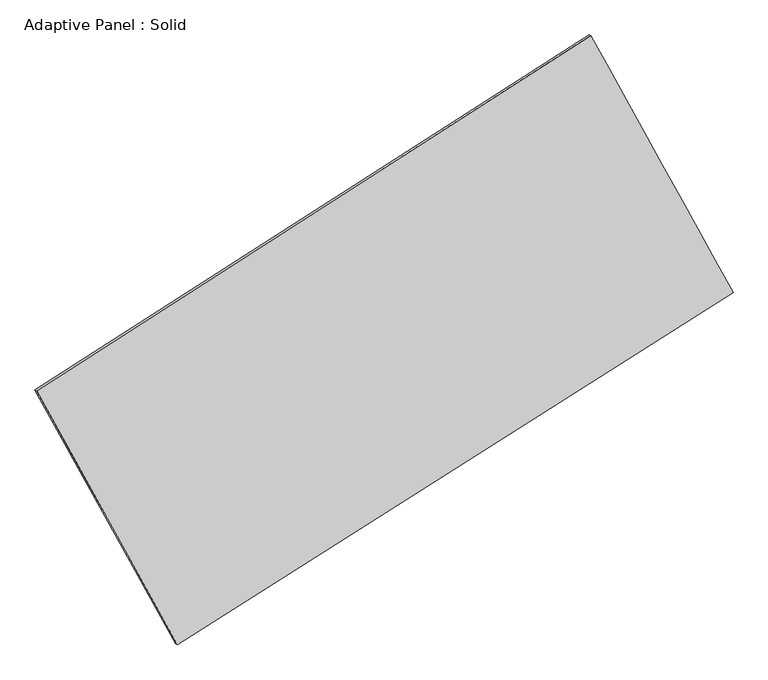
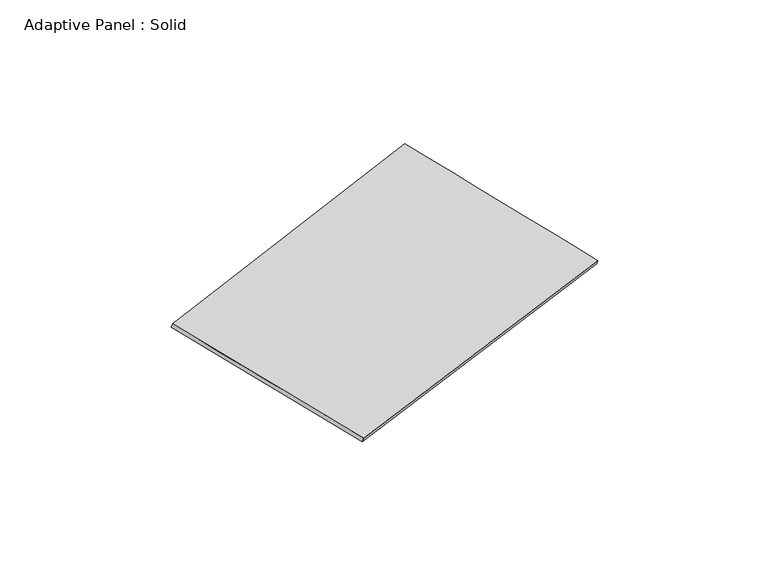
"""IFC4 building model written with IfcOpenShell, lengths in millimetres: plate geometry, Adaptive Panel : Solid."""

import ifcopenshell
import ifcopenshell.guid

model = None  # the IFC model being written
_history = None  # IfcOwnerHistory: only IFC2X3 demands one
_inside = {}  # id of a spatial element -> (the spatial element, [elements in it])
_under = {}  # id of a project, library or spatial element -> (it, [spatial elements below it])
_declared = {}  # id of a project -> (the project, [libraries it declares])
_typed = {}  # id of a type object -> (the type object, [elements of that type])
_made_of = {}  # id of a material, layer set ... -> (it, [elements and type objects made of it])


def new_model(schema):
    """Start an empty IFC model of exactly this schema.

    Asked for "IFC4X3", IfcOpenShell would pick the latest addendum, in which some entities
    have other attributes; the version numbers below select the first issue.
    IFC2X3 requires an IfcOwnerHistory on every rooted entity: one is made here for all.
    """
    global model, _history
    if schema == "IFC4X3":
        model = ifcopenshell.file(schema_version=(4, 3, 0, 0))
    else:
        model = ifcopenshell.file(schema=schema)
    _inside.clear()
    _under.clear()
    _declared.clear()
    _typed.clear()
    _made_of.clear()
    _history = None
    if model.schema == "IFC2X3":
        org = make("IfcOrganization", Name="unknown")
        user = make(
            "IfcPersonAndOrganization",
            ThePerson=make("IfcPerson", FamilyName="unknown"),
            TheOrganization=org,
        )
        app = make(
            "IfcApplication",
            ApplicationDeveloper=org,
            Version="unknown",
            ApplicationFullName="unknown",
            ApplicationIdentifier="unknown",
        )
        _history = make(
            "IfcOwnerHistory",
            OwningUser=user,
            OwningApplication=app,
            ChangeAction="ADDED",
            CreationDate=0,
        )
    return model


def make(cls, **values):
    """One entity of the class cls with the attributes given. An attribute that is None is left unset."""
    return model.create_entity(
        cls, **{name: value for name, value in values.items() if value is not None}
    )


def rooted(cls, **values):
    """An entity with a GlobalId (a new one), such as an element, a storey or a relation."""
    return make(cls, GlobalId=ifcopenshell.guid.new(), OwnerHistory=_history, **values)


def si_unit(unit_type, name, prefix=None):
    """IfcSIUnit, for example si_unit("LENGTHUNIT", "METRE", prefix="MILLI")."""
    return make("IfcSIUnit", UnitType=unit_type, Prefix=prefix, Name=name)


def assignment(units):
    """IfcUnitAssignment: the units of a project."""
    return None if units is None else make("IfcUnitAssignment", Units=units)


def point(xyz):
    """IfcCartesianPoint."""
    return None if xyz is None else make("IfcCartesianPoint", Coordinates=xyz)


def direction(xyz):
    """IfcDirection."""
    return None if xyz is None else make("IfcDirection", DirectionRatios=xyz)


def frame(location, z_axis=None, x_axis=None):
    """IfcAxis2Placement3D, a coordinate frame: its origin and axes. An axis left out is left unset."""
    return make(
        "IfcAxis2Placement3D",
        Location=point(location),
        Axis=direction(z_axis),
        RefDirection=direction(x_axis),
    )


def origin():
    """The frame at (0, 0, 0) with its axes left unset."""
    return frame((0.0, 0.0, 0.0))


def place(relative_to, where):
    """IfcLocalPlacement: puts the frame where relative to a parent placement (None: the world)."""
    return make(
        "IfcLocalPlacement", PlacementRelTo=relative_to, RelativePlacement=where
    )


def context(
    kind, dimensions, precision=None, world=None, true_north=None, identifier=None
):
    """IfcGeometricRepresentationContext, for example the 3D "Model" context."""
    return make(
        "IfcGeometricRepresentationContext",
        ContextIdentifier=identifier,
        ContextType=kind,
        CoordinateSpaceDimension=dimensions,
        Precision=precision,
        WorldCoordinateSystem=world,
        TrueNorth=true_north,
    )


def project(units=None, contexts=None):
    """IfcProject with its units and contexts."""
    return rooted(
        "IfcProject",
        Name="project",
        RepresentationContexts=contexts,
        UnitsInContext=assignment(units),
    )


def spatial(cls, under=None, at=None, **own):
    """A site, building, storey or space (cls), placed at a placement, below another one or the project."""
    s = rooted(cls, ObjectPlacement=at, **own)
    if under is not None:
        _under.setdefault(under.id(), (under, []))[1].append(s)
    return s


def shape(context_of_items, identifier, shape_type, items):
    """IfcShapeRepresentation: the items that make up one representation, for example the "Body"."""
    return make(
        "IfcShapeRepresentation",
        ContextOfItems=context_of_items,
        RepresentationIdentifier=identifier,
        RepresentationType=shape_type,
        Items=items,
    )


def source(mapping_origin, context_of_items, identifier, shape_type, items):
    """IfcRepresentationMap: a shape defined once, which mapped items show again and again."""
    return make(
        "IfcRepresentationMap",
        MappingOrigin=mapping_origin,
        MappedRepresentation=shape(context_of_items, identifier, shape_type, items),
    )


def transform(
    local_origin,
    x_axis=None,
    y_axis=None,
    z_axis=None,
    scale=None,
    scale2=None,
    scale3=None,
    uniform=True,
):
    """IfcCartesianTransformationOperator3D, or its non-uniform kind. x_axis, y_axis, z_axis: its Axis1, 2, 3."""
    if uniform:
        return make(
            "IfcCartesianTransformationOperator3D",
            Axis1=direction(x_axis),
            Axis2=direction(y_axis),
            LocalOrigin=point(local_origin),
            Scale=scale,
            Axis3=direction(z_axis),
        )
    return make(
        "IfcCartesianTransformationOperator3DnonUniform",
        Axis1=direction(x_axis),
        Axis2=direction(y_axis),
        LocalOrigin=point(local_origin),
        Scale=scale,
        Axis3=direction(z_axis),
        Scale2=scale2,
        Scale3=scale3,
    )


def mapped(mapping_source, mapping_target):
    """IfcMappedItem: shows the shape of a source again, moved by a transform."""
    return make(
        "IfcMappedItem", MappingSource=mapping_source, MappingTarget=mapping_target
    )


def made_of(thing, what):
    """Note that an element or type object is made of a material, layer set ...; save() writes the relation."""
    if what is not None:
        _made_of.setdefault(what.id(), (what, []))[1].append(thing)
    return thing


def element(
    cls,
    number,
    at=None,
    inside=None,
    cuts=None,
    type_object=None,
    material=None,
    context=None,
    identifier="Body",
    shape_type=None,
    held_by="IfcProductDefinitionShape",
    body=None,
    shapes=None,
    **own,
):
    """One element of the class cls, such as IfcWall. Its Tag is "e" and its number.

    at: its placement. inside: the storey or other place that contains it. cuts: it is an
    opening in that element (IfcRelVoidsElement). A single representation is given by context,
    identifier, shape_type and body (its items); several are given by shapes. held_by: the class
    of the entity that holds the representations. save() writes the other relations.
    """
    e = rooted(cls, Tag="e%d" % number, ObjectPlacement=at, **own)
    if body is not None:
        shapes = [shape(context, identifier, shape_type, body)]
    if shapes is not None:
        e.Representation = make(held_by, Representations=shapes)
    if inside is not None:
        _inside.setdefault(inside.id(), (inside, []))[1].append(e)
    if cuts is not None:
        rooted(
            "IfcRelVoidsElement", RelatingBuildingElement=cuts, RelatedOpeningElement=e
        )
    if type_object is not None:
        _typed.setdefault(type_object.id(), (type_object, []))[1].append(e)
    return made_of(e, material)


def aggregate(whole, parts):
    """IfcRelAggregates: a whole, such as a stair, and the parts it consists of."""
    return rooted("IfcRelAggregates", RelatingObject=whole, RelatedObjects=parts)


def save(model, path):
    """Write the relations noted so far, then the file.

    IfcRelAggregates (storeys below a building ...), IfcRelContainedInSpatialStructure (elements
    in a storey), IfcRelDefinesByType, IfcRelAssociatesMaterial and IfcRelDeclares: one each for
    every whole, place, type object, material and project.
    """
    for whole, parts in _under.values():
        aggregate(whole, parts)
    for where, things in _inside.values():
        rooted(
            "IfcRelContainedInSpatialStructure",
            RelatedElements=things,
            RelatingStructure=where,
        )
    for kind, things in _typed.values():
        rooted("IfcRelDefinesByType", RelatedObjects=things, RelatingType=kind)
    for what, things in _made_of.values():
        rooted("IfcRelAssociatesMaterial", RelatedObjects=things, RelatingMaterial=what)
    for by, libraries in _declared.values():
        rooted("IfcRelDeclares", RelatingContext=by, RelatedDefinitions=libraries)
    model.write(path)


def plane_surface(at):
    """IfcPlane: the flat surface through the origin of the frame at, square to its z axis."""
    return make("IfcPlane", Position=at)


def spline_surface(u_degree, v_degree, points, u_multiplicities, v_multiplicities, u_knots, v_knots, weights=None):
    """IfcBSplineSurfaceWithKnots; with weights, IfcRationalBSplineSurfaceWithKnots. points: one row for each step in u."""
    own = dict(
        UDegree=u_degree,
        VDegree=v_degree,
        ControlPointsList=[[point(p) for p in row] for row in points],
        SurfaceForm="UNSPECIFIED",
        UClosed=False,
        VClosed=False,
        SelfIntersect=False,
        UMultiplicities=u_multiplicities,
        VMultiplicities=v_multiplicities,
        UKnots=u_knots,
        VKnots=v_knots,
        KnotSpec="UNSPECIFIED",
    )
    if weights is None:
        return make("IfcBSplineSurfaceWithKnots", **own)
    return make("IfcRationalBSplineSurfaceWithKnots", WeightsData=weights, **own)


def advanced_brep(points, edges, surfaces, faces):
    """IfcAdvancedBrep: a solid bounded by faces that lie on surfaces and meet in shared edges.

    An edge is (start, end): straight between two places in points (the first is 0);
    or (start, end, curve); or (start, end, curve, False) where it runs against its curve.
    A face is (place in surfaces, loops), or (place, loops, False) where it looks against
    its surface's normal. A loop lists edges by number (the first is 1), with a minus sign
    where the edge is run from its end to its start. The first loop is the outer one.
    """
    corners = [point(p) for p in points]
    vertices = [make("IfcVertexPoint", VertexGeometry=c) for c in corners]
    made = []
    for start, end, *more in edges:
        made.append(
            make(
                "IfcEdgeCurve",
                EdgeStart=vertices[start],
                EdgeEnd=vertices[end],
                EdgeGeometry=more[0] if more else make("IfcPolyline", Points=[corners[start], corners[end]]),
                SameSense=more[1] if len(more) > 1 else True,
            )
        )
    hull = []
    for where, loops, *sense in faces:
        bounds = []
        for j, loop in enumerate(loops):
            ring = [make("IfcOrientedEdge", EdgeElement=made[abs(k) - 1], Orientation=k > 0) for k in loop]
            bounds.append(
                make(
                    "IfcFaceOuterBound" if j == 0 else "IfcFaceBound",
                    Bound=make("IfcEdgeLoop", EdgeList=ring),
                    Orientation=True,
                )
            )
        hull.append(make("IfcAdvancedFace", Bounds=bounds, FaceSurface=surfaces[where], SameSense=sense[0] if sense else True))
    return make("IfcAdvancedBrep", Outer=make("IfcClosedShell", CfsFaces=hull))


def adaptive_panel_solid_a74448a3(model_context):
    return source(origin(), model_context, "Body", "AdvancedBrep", [
        advanced_brep(
        [(1162.0119802, 2583.7456014, 674.8634208), (-3706.7474621, -537.7384832, 1755.0117474), (-3692.0811063, -544.1185767, 1802.3846554), (1176.6783361, 2577.3655079, 722.2363288), (-2469.630316, -2770.1323979, 1078.1909629), (-2454.9639601, -2776.5124914, 1125.5638709), (2411.0752197, 323.8767069, -22.9436109), (2425.7415755, 317.4966134, 24.4292972)],
        [
            (0, 1),
            (1, 2),
            (2, 3),
            (3, 0),
            (1, 4),
            (4, 5),
            (5, 2),
            (4, 6),
            (6, 7),
            (7, 5),
            (6, 0),
            (3, 7),
        ],
        [
            plane_surface(frame((-1272.3677409, 1023.0035591, 1214.9375841), z_axis=(-0.47924932400735804, 0.8379046464582669, 0.2612200009228568), x_axis=(-0.8275321652886135, -0.5305516762689102, 0.18359039795421897))),
            plane_surface(frame((-3088.188889, -1653.9354406, 1416.6013551), z_axis=(-0.8337389918904355, -0.5190917641650534, 0.1882100788415249), x_axis=(0.4685200237427008, -0.8454504516288641, -0.2563250303670884))),
            plane_surface(frame((-29.2775481, -1223.1278455, 527.623676), z_axis=(0.47442809779942113, -0.8409782803987723, -0.2601413306569087), x_axis=(0.8296647939854037, 0.5259465886073302, -0.18718043581921015))),
            plane_surface(frame((1786.5436, 1453.8111541, 325.959905), z_axis=(0.8338005993566472, 0.5189804453303284, -0.18824414433716152), x_axis=(-0.46698925930262647, 0.8449007767182218, 0.26089022441810605))),
            spline_surface(1, 1, [[(-3692.0811063, -544.1185767, 1802.3846554), (1176.6783361, 2577.3655079, 722.2363288)], [(-2454.9639601, -2776.5124914, 1125.5638709), (2425.7415755, 317.4966134, 24.4292972)]], [2, 2], [2, 2], [0.0, 1.0], [0.0, 1.0]),
            spline_surface(1, 1, [[(2411.0752197, 323.8767069, -22.9436109), (1162.0119802, 2583.7456014, 674.8634208)], [(-2469.630316, -2770.1323979, 1078.1909629), (-3706.7474621, -537.7384832, 1755.0117474)]], [2, 2], [2, 2], [0.0, 1.0], [0.0, 1.0]),
        ],
        [
            (0, [[1, 2, 3, 4]]),
            (1, [[5, 6, 7, -2]]),
            (2, [[8, 9, 10, -6]]),
            (3, [[11, -4, 12, -9]]),
            (4, [[-3, -7, -10, -12]]),
            (5, [[-11, -8, -5, -1]]),
        ],
    ),
    ])


if __name__ == "__main__":
    model = new_model("IFC4")
    model_context = context("Model", 3, world=origin())
    ifc_project = project(units=[si_unit("LENGTHUNIT", "METRE", prefix="MILLI")], contexts=[model_context])
    site = spatial("IfcSite", under=ifc_project)
    building = spatial("IfcBuilding", under=site)
    placement = place(None, origin())
    adaptive_panel_solid_shape = adaptive_panel_solid_a74448a3(model_context)
    element("IfcPlate", 1, ObjectType="Adaptive Panel : Solid", at=placement, inside=building, context=model_context, shape_type="MappedRepresentation", body=[
        mapped(adaptive_panel_solid_shape, transform((0.0, 0.0, 0.0), x_axis=(1.0, 0.0, 0.0), y_axis=(0.0, 1.0, 0.0), z_axis=(0.0, 0.0, 1.0))),
    ])
    save(model, "model.ifc")
